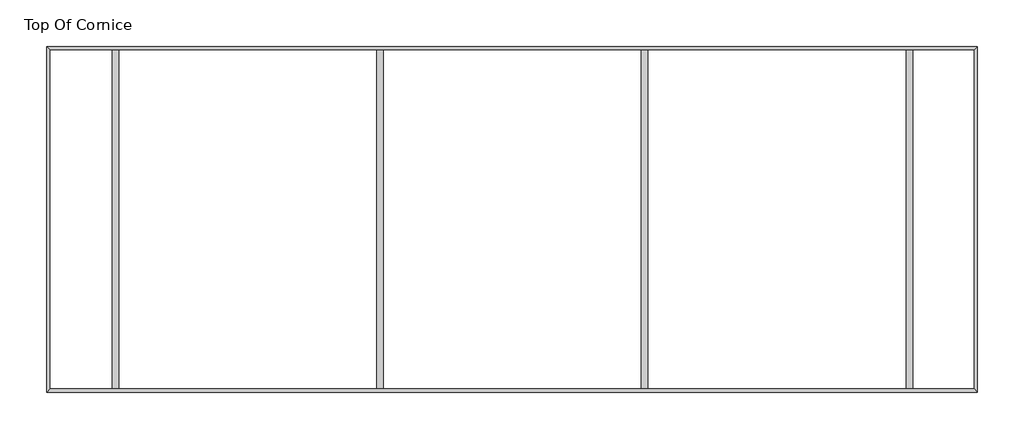
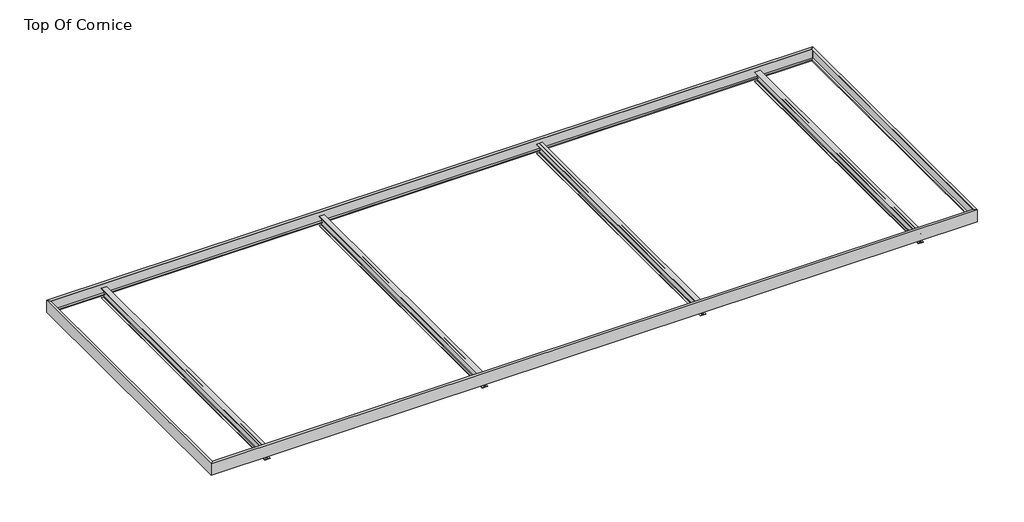
# One storey: 8 beams.
"""IFC4 building model written with IfcOpenShell, lengths in millimetres."""

import ifcopenshell
import ifcopenshell.guid

model = None  # the IFC model being written
_history = None  # IfcOwnerHistory: only IFC2X3 demands one
_inside = {}  # id of a spatial element -> (the spatial element, [elements in it])
_under = {}  # id of a project, library or spatial element -> (it, [spatial elements below it])
_declared = {}  # id of a project -> (the project, [libraries it declares])
_typed = {}  # id of a type object -> (the type object, [elements of that type])
_made_of = {}  # id of a material, layer set ... -> (it, [elements and type objects made of it])


def new_model(schema):
    """Start an empty IFC model of exactly this schema.

    Asked for "IFC4X3", IfcOpenShell would pick the latest addendum, in which some entities
    have other attributes; the version numbers below select the first issue.
    IFC2X3 requires an IfcOwnerHistory on every rooted entity: one is made here for all.
    """
    global model, _history
    if schema == "IFC4X3":
        model = ifcopenshell.file(schema_version=(4, 3, 0, 0))
    else:
        model = ifcopenshell.file(schema=schema)
    _inside.clear()
    _under.clear()
    _declared.clear()
    _typed.clear()
    _made_of.clear()
    _history = None
    if model.schema == "IFC2X3":
        org = make("IfcOrganization", Name="unknown")
        user = make(
            "IfcPersonAndOrganization",
            ThePerson=make("IfcPerson", FamilyName="unknown"),
            TheOrganization=org,
        )
        app = make(
            "IfcApplication",
            ApplicationDeveloper=org,
            Version="unknown",
            ApplicationFullName="unknown",
            ApplicationIdentifier="unknown",
        )
        _history = make(
            "IfcOwnerHistory",
            OwningUser=user,
            OwningApplication=app,
            ChangeAction="ADDED",
            CreationDate=0,
        )
    return model


def make(cls, **values):
    """One entity of the class cls with the attributes given. An attribute that is None is left unset."""
    return model.create_entity(
        cls, **{name: value for name, value in values.items() if value is not None}
    )


def rooted(cls, **values):
    """An entity with a GlobalId (a new one), such as an element, a storey or a relation."""
    return make(cls, GlobalId=ifcopenshell.guid.new(), OwnerHistory=_history, **values)


def si_unit(unit_type, name, prefix=None):
    """IfcSIUnit, for example si_unit("LENGTHUNIT", "METRE", prefix="MILLI")."""
    return make("IfcSIUnit", UnitType=unit_type, Prefix=prefix, Name=name)


def assignment(units):
    """IfcUnitAssignment: the units of a project."""
    return None if units is None else make("IfcUnitAssignment", Units=units)


def point(xyz):
    """IfcCartesianPoint."""
    return None if xyz is None else make("IfcCartesianPoint", Coordinates=xyz)


def direction(xyz):
    """IfcDirection."""
    return None if xyz is None else make("IfcDirection", DirectionRatios=xyz)


def frame(location, z_axis=None, x_axis=None):
    """IfcAxis2Placement3D, a coordinate frame: its origin and axes. An axis left out is left unset."""
    return make(
        "IfcAxis2Placement3D",
        Location=point(location),
        Axis=direction(z_axis),
        RefDirection=direction(x_axis),
    )


def frame_2d(location, x_axis=None):
    """IfcAxis2Placement2D, a coordinate frame in the plane: its origin and x axis."""
    return make(
        "IfcAxis2Placement2D", Location=point(location), RefDirection=direction(x_axis)
    )


def origin():
    """The frame at (0, 0, 0) with its axes left unset."""
    return frame((0.0, 0.0, 0.0))


def place(relative_to, where):
    """IfcLocalPlacement: puts the frame where relative to a parent placement (None: the world)."""
    return make(
        "IfcLocalPlacement", PlacementRelTo=relative_to, RelativePlacement=where
    )


def context(
    kind, dimensions, precision=None, world=None, true_north=None, identifier=None
):
    """IfcGeometricRepresentationContext, for example the 3D "Model" context."""
    return make(
        "IfcGeometricRepresentationContext",
        ContextIdentifier=identifier,
        ContextType=kind,
        CoordinateSpaceDimension=dimensions,
        Precision=precision,
        WorldCoordinateSystem=world,
        TrueNorth=true_north,
    )


def project(units=None, contexts=None):
    """IfcProject with its units and contexts."""
    return rooted(
        "IfcProject",
        Name="project",
        RepresentationContexts=contexts,
        UnitsInContext=assignment(units),
    )


def spatial(cls, under=None, at=None, **own):
    """A site, building, storey or space (cls), placed at a placement, below another one or the project."""
    s = rooted(cls, ObjectPlacement=at, **own)
    if under is not None:
        _under.setdefault(under.id(), (under, []))[1].append(s)
    return s


def polyline(points):
    """IfcPolyline through the points."""
    return make("IfcPolyline", Points=[point(p) for p in points])


def circle_curve(where, radius):
    """IfcCircle in the frame where."""
    return make("IfcCircle", Position=where, Radius=radius)


def ellipse_curve(where, semi_axis1, semi_axis2):
    """IfcEllipse in the frame where."""
    return make(
        "IfcEllipse", Position=where, SemiAxis1=semi_axis1, SemiAxis2=semi_axis2
    )


def trimmed(basis, trim1, trim2, sense, master):
    """IfcTrimmedCurve: the piece of a basis curve between two trims."""
    return make(
        "IfcTrimmedCurve",
        BasisCurve=basis,
        Trim1=trim1,
        Trim2=trim2,
        SenseAgreement=sense,
        MasterRepresentation=master,
    )


def segment(curve, same_sense, transition):
    """IfcCompositeCurveSegment."""
    return make(
        "IfcCompositeCurveSegment",
        Transition=transition,
        SameSense=same_sense,
        ParentCurve=curve,
    )


def composite_curve(segments, self_intersect=None):
    """IfcCompositeCurve: segments joined end to end."""
    return make("IfcCompositeCurve", Segments=segments, SelfIntersect=self_intersect)


def outline(outer, holes=None, kind="AREA"):
    """IfcArbitraryClosedProfileDef: a profile drawn as a closed curve; with holes, ...WithVoids."""
    if holes is None:
        return make("IfcArbitraryClosedProfileDef", ProfileType=kind, OuterCurve=outer)
    return make(
        "IfcArbitraryProfileDefWithVoids",
        ProfileType=kind,
        OuterCurve=outer,
        InnerCurves=holes,
    )


def extrude(swept, where, along, depth):
    """IfcExtrudedAreaSolid: the profile swept, set in the frame where, extruded along a direction by depth."""
    return make(
        "IfcExtrudedAreaSolid",
        SweptArea=swept,
        Position=where,
        ExtrudedDirection=direction(along),
        Depth=depth,
    )


def shape(context_of_items, identifier, shape_type, items):
    """IfcShapeRepresentation: the items that make up one representation, for example the "Body"."""
    return make(
        "IfcShapeRepresentation",
        ContextOfItems=context_of_items,
        RepresentationIdentifier=identifier,
        RepresentationType=shape_type,
        Items=items,
    )


def source(mapping_origin, context_of_items, identifier, shape_type, items):
    """IfcRepresentationMap: a shape defined once, which mapped items show again and again."""
    return make(
        "IfcRepresentationMap",
        MappingOrigin=mapping_origin,
        MappedRepresentation=shape(context_of_items, identifier, shape_type, items),
    )


def transform(
    local_origin,
    x_axis=None,
    y_axis=None,
    z_axis=None,
    scale=None,
    scale2=None,
    scale3=None,
    uniform=True,
):
    """IfcCartesianTransformationOperator3D, or its non-uniform kind. x_axis, y_axis, z_axis: its Axis1, 2, 3."""
    if uniform:
        return make(
            "IfcCartesianTransformationOperator3D",
            Axis1=direction(x_axis),
            Axis2=direction(y_axis),
            LocalOrigin=point(local_origin),
            Scale=scale,
            Axis3=direction(z_axis),
        )
    return make(
        "IfcCartesianTransformationOperator3DnonUniform",
        Axis1=direction(x_axis),
        Axis2=direction(y_axis),
        LocalOrigin=point(local_origin),
        Scale=scale,
        Axis3=direction(z_axis),
        Scale2=scale2,
        Scale3=scale3,
    )


def mapped(mapping_source, mapping_target):
    """IfcMappedItem: shows the shape of a source again, moved by a transform."""
    return make(
        "IfcMappedItem", MappingSource=mapping_source, MappingTarget=mapping_target
    )


def made_of(thing, what):
    """Note that an element or type object is made of a material, layer set ...; save() writes the relation."""
    if what is not None:
        _made_of.setdefault(what.id(), (what, []))[1].append(thing)
    return thing


def element(
    cls,
    number,
    at=None,
    inside=None,
    cuts=None,
    type_object=None,
    material=None,
    context=None,
    identifier="Body",
    shape_type=None,
    held_by="IfcProductDefinitionShape",
    body=None,
    shapes=None,
    **own,
):
    """One element of the class cls, such as IfcWall. Its Tag is "e" and its number.

    at: its placement. inside: the storey or other place that contains it. cuts: it is an
    opening in that element (IfcRelVoidsElement). A single representation is given by context,
    identifier, shape_type and body (its items); several are given by shapes. held_by: the class
    of the entity that holds the representations. save() writes the other relations.
    """
    e = rooted(cls, Tag="e%d" % number, ObjectPlacement=at, **own)
    if body is not None:
        shapes = [shape(context, identifier, shape_type, body)]
    if shapes is not None:
        e.Representation = make(held_by, Representations=shapes)
    if inside is not None:
        _inside.setdefault(inside.id(), (inside, []))[1].append(e)
    if cuts is not None:
        rooted(
            "IfcRelVoidsElement", RelatingBuildingElement=cuts, RelatedOpeningElement=e
        )
    if type_object is not None:
        _typed.setdefault(type_object.id(), (type_object, []))[1].append(e)
    return made_of(e, material)


def aggregate(whole, parts):
    """IfcRelAggregates: a whole, such as a stair, and the parts it consists of."""
    return rooted("IfcRelAggregates", RelatingObject=whole, RelatedObjects=parts)


def save(model, path):
    """Write the relations noted so far, then the file.

    IfcRelAggregates (storeys below a building ...), IfcRelContainedInSpatialStructure (elements
    in a storey), IfcRelDefinesByType, IfcRelAssociatesMaterial and IfcRelDeclares: one each for
    every whole, place, type object, material and project.
    """
    for whole, parts in _under.values():
        aggregate(whole, parts)
    for where, things in _inside.values():
        rooted(
            "IfcRelContainedInSpatialStructure",
            RelatedElements=things,
            RelatingStructure=where,
        )
    for kind, things in _typed.values():
        rooted("IfcRelDefinesByType", RelatedObjects=things, RelatingType=kind)
    for what, things in _made_of.values():
        rooted("IfcRelAssociatesMaterial", RelatedObjects=things, RelatingMaterial=what)
    for by, libraries in _declared.values():
        rooted("IfcRelDeclares", RelatingContext=by, RelatedDefinitions=libraries)
    model.write(path)


def plane_surface(at):
    """IfcPlane: the flat surface through the origin of the frame at, square to its z axis."""
    return make("IfcPlane", Position=at)


def cylinder_surface(at, radius):
    """IfcCylindricalSurface: all points at the distance radius from the z axis of the frame at."""
    return make("IfcCylindricalSurface", Position=at, Radius=radius)


def advanced_brep(points, edges, surfaces, faces):
    """IfcAdvancedBrep: a solid bounded by faces that lie on surfaces and meet in shared edges.

    An edge is (start, end): straight between two places in points (the first is 0);
    or (start, end, curve); or (start, end, curve, False) where it runs against its curve.
    A face is (place in surfaces, loops), or (place, loops, False) where it looks against
    its surface's normal. A loop lists edges by number (the first is 1), with a minus sign
    where the edge is run from its end to its start. The first loop is the outer one.
    """
    corners = [point(p) for p in points]
    vertices = [make("IfcVertexPoint", VertexGeometry=c) for c in corners]
    made = []
    for start, end, *more in edges:
        made.append(
            make(
                "IfcEdgeCurve",
                EdgeStart=vertices[start],
                EdgeEnd=vertices[end],
                EdgeGeometry=more[0] if more else make("IfcPolyline", Points=[corners[start], corners[end]]),
                SameSense=more[1] if len(more) > 1 else True,
            )
        )
    hull = []
    for where, loops, *sense in faces:
        bounds = []
        for j, loop in enumerate(loops):
            ring = [make("IfcOrientedEdge", EdgeElement=made[abs(k) - 1], Orientation=k > 0) for k in loop]
            bounds.append(
                make(
                    "IfcFaceOuterBound" if j == 0 else "IfcFaceBound",
                    Bound=make("IfcEdgeLoop", EdgeList=ring),
                    Orientation=True,
                )
            )
        hull.append(make("IfcAdvancedFace", Bounds=bounds, FaceSurface=surfaces[where], SameSense=sense[0] if sense else True))
    return make("IfcAdvancedBrep", Outer=make("IfcClosedShell", CfsFaces=hull))


def w_wide_flange_w12x26_3cccf0f2(model_context):
    return source(origin(), model_context, "Body", "SweptSolid", [
        extrude(outline(composite_curve([segment(polyline([(82.4011719, -145.5539063), (82.4011719, -155.178125), (-82.4011719, -155.178125), (-82.4011719, -145.5539063), (-20.2902344, -145.5539063)]), True, "CONTINUOUS"), segment(trimmed(circle_curve(frame_2d((-20.2902344, -128.190625)), 17.3632812), [point((-20.2902344, -145.5539063))], [point((-2.9269531, -128.190625))], True, "CARTESIAN"), True, "CONTINUOUS"), segment(polyline([(-2.9269531, -128.190625), (-2.9269531, 128.190625)]), True, "CONTINUOUS"), segment(trimmed(circle_curve(frame_2d((-20.2902344, 128.190625)), 17.3632812), [point((-2.9269531, 128.190625))], [point((-20.2902344, 145.5539062))], True, "CARTESIAN"), True, "CONTINUOUS"), segment(polyline([(-20.2902344, 145.5539062), (-82.4011719, 145.5539062), (-82.4011719, 155.178125), (82.4011719, 155.178125), (82.4011719, 145.5539062), (20.2902344, 145.5539062)]), True, "CONTINUOUS"), segment(trimmed(circle_curve(frame_2d((20.2902344, 128.190625)), 17.3632812), [point((20.2902344, 145.5539062))], [point((2.9269531, 128.190625))], True, "CARTESIAN"), True, "CONTINUOUS"), segment(polyline([(2.9269531, 128.190625), (2.9269531, -128.190625)]), True, "CONTINUOUS"), segment(trimmed(circle_curve(frame_2d((20.2902344, -128.190625)), 17.3632812), [point((2.9269531, -128.190625))], [point((20.2902344, -145.5539063))], True, "CARTESIAN"), True, "CONTINUOUS"), segment(polyline([(20.2902344, -145.5539063), (82.4011719, -145.5539063)]), True, "CONTINUOUS")], self_intersect=False)), frame((-4356.1, 0.0, 0.0), z_axis=(1.0, 0.0, 0.0), x_axis=(0.0, 1.0, 0.0)), (0.0, 0.0, 1.0), 8712.2),
    ])


model = new_model("IFC4")

# Units and contexts
model_context = context("Model", 3, world=origin())
ifc_project = project(units=[si_unit("LENGTHUNIT", "METRE", prefix="MILLI")], contexts=[model_context])

# Site, building, storey
site = spatial("IfcSite", under=ifc_project)
building = spatial("IfcBuilding", under=site)
storey = spatial("IfcBuildingStorey", under=building, Name="Top Of Cornice", Elevation=4114.8)

# Beams
placement = place(None, origin())
element("IfcBeam", 1, ObjectType="C-Channel : C15X33.9", at=placement, inside=storey, context=model_context, shape_type="AdvancedBrep", body=[
    advanced_brep(
    [(30194.5802, 15789.6052, 4114.8), (30280.9402, 15875.9652, 4114.8), (6666.5348, 15875.9652, 4114.8), (6752.8948, 15789.6052, 4114.8), (30211.0902, 15806.1152, 4098.29), (6736.3848, 15806.1152, 4098.29), (30270.7802, 15865.8052, 4088.8360328), (6676.6948, 15865.8052, 4088.8360328), (30270.7802, 15865.8052, 3759.7639672), (6676.6948, 15865.8052, 3759.7639672), (30211.0902, 15806.1152, 3750.31), (6736.3848, 15806.1152, 3750.31), (30194.5802, 15789.6052, 3733.8), (6752.8948, 15789.6052, 3733.8), (30280.9402, 15875.9652, 3733.8), (6666.5348, 15875.9652, 3733.8)],
    [
        (0, 1),
        (1, 2),
        (2, 3),
        (3, 0),
        (4, 0, ellipse_curve(frame((30211.0902, 15806.1152, 4114.8), z_axis=(-0.7071067811865387, 0.7071067811865563, 0.0), x_axis=(-0.7071067811865562, -0.7071067811865387, 0.0)), 23.3486659, 16.51)),
        (3, 5, ellipse_curve(frame((6736.3848, 15806.1152, 4114.8), z_axis=(0.7071067811865476, 0.7071067811865476, 0.0), x_axis=(-0.7071067811865474, 0.7071067811865476, 0.0)), 23.3486659, 16.51)),
        (5, 4),
        (6, 4),
        (5, 7),
        (7, 6),
        (8, 6),
        (7, 9),
        (9, 8),
        (10, 8),
        (9, 11),
        (11, 10),
        (12, 10, ellipse_curve(frame((30211.0902, 15806.1152, 3733.8), z_axis=(-0.7071067811865387, 0.7071067811865563, 0.0), x_axis=(-0.7071067811865562, -0.7071067811865387, 0.0)), 23.3486659, 16.51)),
        (11, 13, ellipse_curve(frame((6736.3848, 15806.1152, 3733.8), z_axis=(0.7071067811865476, 0.7071067811865476, 0.0), x_axis=(-0.7071067811865474, 0.7071067811865476, 0.0)), 23.3486659, 16.51)),
        (13, 12),
        (14, 12),
        (13, 15),
        (15, 14),
        (1, 14),
        (15, 2),
    ],
    [
        plane_surface(frame((30260.925, 15832.7852, 4114.8), z_axis=(0.0, 0.0, 1.0), x_axis=(0.0, -1.0, 0.0))),
        cylinder_surface(frame((30260.925, 15806.1152, 4114.8), z_axis=(-1.0, 0.0, 0.0), x_axis=(0.0, 0.0, -1.0)), 16.51),
        plane_surface(frame((30260.925, 15835.9602, 4093.5630164), z_axis=(0.0, -0.15643446504022748, -0.9876883405951383), x_axis=(0.0, 0.9876883405951383, -0.15643446504022748))),
        plane_surface(frame((30260.925, 15865.8052, 3924.3), z_axis=(0.0, -1.0, 0.0), x_axis=(0.0, 0.0, -1.0))),
        plane_surface(frame((30260.925, 15835.9602, 3755.0369836), z_axis=(0.0, -0.15643446504023373, 0.9876883405951373), x_axis=(0.0, -0.9876883405951373, -0.15643446504023373))),
        cylinder_surface(frame((30260.925, 15806.1152, 3733.8), z_axis=(-1.0, 0.0, 0.0), x_axis=(0.0, -1.0, 0.0)), 16.51),
        plane_surface(frame((30260.925, 15832.7852, 3733.8), z_axis=(0.0, 0.0, -1.0), x_axis=(0.0, 1.0, 0.0))),
        plane_surface(frame((30260.925, 15875.9652, 3924.3), z_axis=(0.0, 1.0, 0.0), x_axis=(0.0, 0.0, 1.0))),
        plane_surface(frame((30194.5802, 15789.6052, 4114.8), z_axis=(0.7071067811865387, -0.7071067811865563, 0.0), x_axis=(0.7071067811865563, 0.7071067811865387, 0.0))),
        plane_surface(frame((6752.8948, 15789.6052, 4114.8), z_axis=(-0.7071067811865476, -0.7071067811865476, 0.0), x_axis=(0.7071067811865476, -0.7071067811865476, 0.0))),
    ],
    [
        (0, [[1, 2, 3, 4]]),
        (1, [[5, -4, 6, 7]]),
        (2, [[8, -7, 9, 10]]),
        (3, [[11, -10, 12, 13]]),
        (4, [[14, -13, 15, 16]]),
        (5, [[17, -16, 18, 19]]),
        (6, [[20, -19, 21, 22]]),
        (7, [[23, -22, 24, -2]]),
        (8, [[-1, -5, -8, -11, -14, -17, -20, -23]]),
        (9, [[-24, -21, -18, -15, -12, -9, -6, -3]]),
    ],
),
])
element("IfcBeam", 2, ObjectType="C-Channel : C15X33.9", at=placement, inside=storey, context=model_context, shape_type="AdvancedBrep", body=[
    advanced_brep(
    [(6752.8948, 7184.6948, 4114.8), (6666.5348, 7098.3348, 4114.8), (30280.9402, 7098.3348, 4114.8), (30194.5802, 7184.6948, 4114.8), (6736.3848, 7168.1848, 4098.29), (30211.0902, 7168.1848, 4098.29), (6676.6948, 7108.4948, 4088.8360328), (30270.7802, 7108.4948, 4088.8360328), (6676.6948, 7108.4948, 3759.7639672), (30270.7802, 7108.4948, 3759.7639672), (6736.3848, 7168.1848, 3750.31), (30211.0902, 7168.1848, 3750.31), (6752.8948, 7184.6948, 3733.8), (30194.5802, 7184.6948, 3733.8), (6666.5348, 7098.3348, 3733.8), (30280.9402, 7098.3348, 3733.8)],
    [
        (0, 1),
        (1, 2),
        (2, 3),
        (3, 0),
        (4, 0, ellipse_curve(frame((6736.3848, 7168.1848, 4114.8), z_axis=(0.7071067811865387, -0.7071067811865563, 0.0), x_axis=(0.7071067811865562, 0.7071067811865387, 0.0)), 23.3486659, 16.51)),
        (3, 5, ellipse_curve(frame((30211.0902, 7168.1848, 4114.8), z_axis=(-0.7071067811865387, -0.7071067811865563, 0.0), x_axis=(0.7071067811865562, -0.7071067811865387, 0.0)), 23.3486659, 16.51)),
        (5, 4),
        (6, 4),
        (5, 7),
        (7, 6),
        (8, 6),
        (7, 9),
        (9, 8),
        (10, 8),
        (9, 11),
        (11, 10),
        (12, 10, ellipse_curve(frame((6736.3848, 7168.1848, 3733.8), z_axis=(0.7071067811865387, -0.7071067811865563, 0.0), x_axis=(0.7071067811865562, 0.7071067811865387, 0.0)), 23.3486659, 16.51)),
        (11, 13, ellipse_curve(frame((30211.0902, 7168.1848, 3733.8), z_axis=(-0.7071067811865387, -0.7071067811865563, 0.0), x_axis=(0.7071067811865562, -0.7071067811865387, 0.0)), 23.3486659, 16.51)),
        (13, 12),
        (14, 12),
        (13, 15),
        (15, 14),
        (1, 14),
        (15, 2),
    ],
    [
        plane_surface(frame((6686.55, 7141.5148, 4114.8), z_axis=(0.0, 0.0, 1.0), x_axis=(0.0, 1.0, 0.0))),
        cylinder_surface(frame((6686.55, 7168.1848, 4114.8), z_axis=(1.0, 0.0, 0.0), x_axis=(0.0, 0.0, -1.0)), 16.51),
        plane_surface(frame((6686.55, 7138.3398, 4093.5630164), z_axis=(0.0, 0.15643446504022748, -0.9876883405951383), x_axis=(0.0, -0.9876883405951383, -0.15643446504022748))),
        plane_surface(frame((6686.55, 7108.4948, 3924.3), z_axis=(0.0, 1.0, 0.0), x_axis=(0.0, 0.0, -1.0))),
        plane_surface(frame((6686.55, 7138.3398, 3755.0369836), z_axis=(0.0, 0.15643446504023373, 0.9876883405951373), x_axis=(0.0, 0.9876883405951373, -0.15643446504023373))),
        cylinder_surface(frame((6686.55, 7168.1848, 3733.8), z_axis=(1.0, 0.0, 0.0), x_axis=(0.0, 1.0, 0.0)), 16.51),
        plane_surface(frame((6686.55, 7141.5148, 3733.8), z_axis=(0.0, 0.0, -1.0), x_axis=(0.0, -1.0, 0.0))),
        plane_surface(frame((6686.55, 7098.3348, 3924.3), z_axis=(0.0, -1.0, 0.0), x_axis=(0.0, 0.0, 1.0))),
        plane_surface(frame((30194.5802, 7184.6948, 4114.8), z_axis=(0.7071067811865387, 0.7071067811865563, 0.0), x_axis=(0.7071067811865563, -0.7071067811865387, 0.0))),
        plane_surface(frame((6752.8948, 7184.6948, 4114.8), z_axis=(-0.7071067811865387, 0.7071067811865563, 0.0), x_axis=(0.7071067811865563, 0.7071067811865387, 0.0))),
    ],
    [
        (0, [[1, 2, 3, 4]]),
        (1, [[5, -4, 6, 7]]),
        (2, [[8, -7, 9, 10]]),
        (3, [[11, -10, 12, 13]]),
        (4, [[14, -13, 15, 16]]),
        (5, [[17, -16, 18, 19]]),
        (6, [[20, -19, 21, 22]]),
        (7, [[23, -22, 24, -2]]),
        (8, [[-24, -21, -18, -15, -12, -9, -6, -3]]),
        (9, [[-1, -5, -8, -11, -14, -17, -20, -23]]),
    ],
),
])
element("IfcBeam", 3, ObjectType="C-Channel : C15X33.9", at=placement, inside=storey, context=model_context, shape_type="AdvancedBrep", body=[
    advanced_brep(
    [(6752.8948, 15789.6052, 4114.8), (6666.5348, 15875.9652, 4114.8), (6666.5348, 7098.3348, 4114.8), (6752.8948, 7184.6948, 4114.8), (6736.3848, 15806.1152, 4098.29), (6736.3848, 7168.1848, 4098.29), (6676.6948, 15865.8052, 4088.8360328), (6676.6948, 7108.4948, 4088.8360328), (6676.6948, 15865.8052, 3759.7639672), (6676.6948, 7108.4948, 3759.7639672), (6736.3848, 15806.1152, 3750.31), (6736.3848, 7168.1848, 3750.31), (6752.8948, 15789.6052, 3733.8), (6752.8948, 7184.6948, 3733.8), (6666.5348, 15875.9652, 3733.8), (6666.5348, 7098.3348, 3733.8)],
    [
        (0, 1),
        (1, 2),
        (2, 3),
        (3, 0),
        (4, 0, ellipse_curve(frame((6736.3848, 15806.1152, 4114.8), z_axis=(-0.7071067811865476, -0.7071067811865476, 0.0), x_axis=(-0.7071067811865476, 0.7071067811865474, 0.0)), 23.3486659, 16.51)),
        (3, 5, ellipse_curve(frame((6736.3848, 7168.1848, 4114.8), z_axis=(-0.7071067811865476, 0.7071067811865476, 0.0), x_axis=(0.7071067811865476, 0.7071067811865474, 0.0)), 23.3486659, 16.51)),
        (5, 4),
        (6, 4),
        (5, 7),
        (7, 6),
        (8, 6),
        (7, 9),
        (9, 8),
        (10, 8),
        (9, 11),
        (11, 10),
        (12, 10, ellipse_curve(frame((6736.3848, 15806.1152, 3733.8), z_axis=(-0.7071067811865476, -0.7071067811865476, 0.0), x_axis=(-0.7071067811865476, 0.7071067811865474, 0.0)), 23.3486659, 16.51)),
        (11, 13, ellipse_curve(frame((6736.3848, 7168.1848, 3733.8), z_axis=(-0.7071067811865476, 0.7071067811865476, 0.0), x_axis=(0.7071067811865476, 0.7071067811865474, 0.0)), 23.3486659, 16.51)),
        (13, 12),
        (14, 12),
        (13, 15),
        (15, 14),
        (1, 14),
        (15, 2),
    ],
    [
        plane_surface(frame((6666.5348, 15855.95, 4114.8), z_axis=(0.0, 0.0, 1.0), x_axis=(0.0, -1.0, 0.0))),
        cylinder_surface(frame((6736.3848, 15855.95, 4114.8), z_axis=(0.0, 1.0, 0.0), x_axis=(1.0, 0.0, 0.0)), 16.51),
        plane_surface(frame((6736.3848, 15855.95, 4098.29), z_axis=(0.15643446504022748, 0.0, -0.9876883405951383), x_axis=(0.0, -1.0, 0.0))),
        plane_surface(frame((6676.6948, 15855.95, 4088.8360328), z_axis=(1.0, 0.0, 0.0), x_axis=(0.0, -1.0, 0.0))),
        plane_surface(frame((6676.6948, 15855.95, 3759.7639672), z_axis=(0.15643446504023378, 0.0, 0.9876883405951373), x_axis=(0.0, -1.0, 0.0))),
        cylinder_surface(frame((6736.3848, 15855.95, 3733.8), z_axis=(0.0, 1.0, 0.0), x_axis=(1.0, 0.0, 0.0)), 16.51),
        plane_surface(frame((6752.8948, 15855.95, 3733.8), z_axis=(0.0, 0.0, -1.0), x_axis=(0.0, -1.0, 0.0))),
        plane_surface(frame((6666.5348, 15855.95, 3733.8), z_axis=(-1.0, 0.0, 0.0), x_axis=(0.0, -1.0, 0.0))),
        plane_surface(frame((6752.8948, 7184.6948, 4114.8), z_axis=(0.7071067811865476, -0.7071067811865476, 0.0), x_axis=(0.7071067811865476, 0.7071067811865476, 0.0))),
        plane_surface(frame((6752.8948, 15789.6052, 4114.8), z_axis=(0.7071067811865476, 0.7071067811865476, 0.0), x_axis=(0.7071067811865476, -0.7071067811865476, 0.0))),
    ],
    [
        (0, [[1, 2, 3, 4]]),
        (1, [[5, -4, 6, 7]]),
        (2, [[8, -7, 9, 10]]),
        (3, [[11, -10, 12, 13]]),
        (4, [[14, -13, 15, 16]]),
        (5, [[17, -16, 18, 19]]),
        (6, [[20, -19, 21, 22]]),
        (7, [[23, -22, 24, -2]]),
        (8, [[-24, -21, -18, -15, -12, -9, -6, -3]]),
        (9, [[-1, -5, -8, -11, -14, -17, -20, -23]]),
    ],
),
])
element("IfcBeam", 4, ObjectType="C-Channel : C15X33.9", at=placement, inside=storey, context=model_context, shape_type="AdvancedBrep", body=[
    advanced_brep(
    [(30194.5802, 7184.6948, 4114.8), (30280.9402, 7098.3348, 4114.8), (30280.9402, 15875.9652, 4114.8), (30194.5802, 15789.6052, 4114.8), (30211.0902, 7168.1848, 4098.29), (30211.0902, 15806.1152, 4098.29), (30270.7802, 7108.4948, 4088.8360328), (30270.7802, 15865.8052, 4088.8360328), (30270.7802, 7108.4948, 3759.7639672), (30270.7802, 15865.8052, 3759.7639672), (30211.0902, 7168.1848, 3750.31), (30211.0902, 15806.1152, 3750.31), (30194.5802, 7184.6948, 3733.8), (30194.5802, 15789.6052, 3733.8), (30280.9402, 7098.3348, 3733.8), (30280.9402, 15875.9652, 3733.8)],
    [
        (0, 1),
        (1, 2),
        (2, 3),
        (3, 0),
        (4, 0, ellipse_curve(frame((30211.0902, 7168.1848, 4114.8), z_axis=(0.7071067811865387, 0.7071067811865563, 0.0), x_axis=(0.7071067811865563, -0.7071067811865388, 0.0)), 23.3486659, 16.51)),
        (3, 5, ellipse_curve(frame((30211.0902, 15806.1152, 4114.8), z_axis=(0.7071067811865387, -0.7071067811865563, 0.0), x_axis=(-0.7071067811865563, -0.7071067811865388, 0.0)), 23.3486659, 16.51)),
        (5, 4),
        (6, 4),
        (5, 7),
        (7, 6),
        (8, 6),
        (7, 9),
        (9, 8),
        (10, 8),
        (9, 11),
        (11, 10),
        (12, 10, ellipse_curve(frame((30211.0902, 7168.1848, 3733.8), z_axis=(0.7071067811865387, 0.7071067811865563, 0.0), x_axis=(0.7071067811865563, -0.7071067811865388, 0.0)), 23.3486659, 16.51)),
        (11, 13, ellipse_curve(frame((30211.0902, 15806.1152, 3733.8), z_axis=(0.7071067811865387, -0.7071067811865563, 0.0), x_axis=(-0.7071067811865563, -0.7071067811865388, 0.0)), 23.3486659, 16.51)),
        (13, 12),
        (14, 12),
        (13, 15),
        (15, 14),
        (1, 14),
        (15, 2),
    ],
    [
        plane_surface(frame((30280.9402, 7118.35, 4114.8), z_axis=(0.0, 0.0, 1.0), x_axis=(0.0, 1.0, 0.0))),
        cylinder_surface(frame((30211.0902, 7118.35, 4114.8), z_axis=(0.0, -1.0, 0.0), x_axis=(-1.0, 0.0, 0.0)), 16.51),
        plane_surface(frame((30211.0902, 7118.35, 4098.29), z_axis=(-0.15643446504022748, 0.0, -0.9876883405951383), x_axis=(0.0, 1.0, 0.0))),
        plane_surface(frame((30270.7802, 7118.35, 4088.8360328), z_axis=(-1.0, 0.0, 0.0), x_axis=(0.0, 1.0, 0.0))),
        plane_surface(frame((30270.7802, 7118.35, 3759.7639672), z_axis=(-0.15643446504023378, 0.0, 0.9876883405951373), x_axis=(0.0, 1.0, 0.0))),
        cylinder_surface(frame((30211.0902, 7118.35, 3733.8), z_axis=(0.0, -1.0, 0.0), x_axis=(-1.0, 0.0, 0.0)), 16.51),
        plane_surface(frame((30194.5802, 7118.35, 3733.8), z_axis=(0.0, 0.0, -1.0), x_axis=(0.0, 1.0, 0.0))),
        plane_surface(frame((30280.9402, 7118.35, 3733.8), z_axis=(1.0, 0.0, 0.0), x_axis=(0.0, 1.0, 0.0))),
        plane_surface(frame((30194.5802, 15789.6052, 4114.8), z_axis=(-0.7071067811865387, 0.7071067811865563, 0.0), x_axis=(0.7071067811865563, 0.7071067811865387, 0.0))),
        plane_surface(frame((30194.5802, 7184.6948, 4114.8), z_axis=(-0.7071067811865387, -0.7071067811865563, 0.0), x_axis=(0.7071067811865563, -0.7071067811865387, 0.0))),
    ],
    [
        (0, [[1, 2, 3, 4]]),
        (1, [[5, -4, 6, 7]]),
        (2, [[8, -7, 9, 10]]),
        (3, [[11, -10, 12, 13]]),
        (4, [[14, -13, 15, 16]]),
        (5, [[17, -16, 18, 19]]),
        (6, [[20, -19, 21, 22]]),
        (7, [[23, -22, 24, -2]]),
        (8, [[-24, -21, -18, -15, -12, -9, -6, -3]]),
        (9, [[-1, -5, -8, -11, -14, -17, -20, -23]]),
    ],
),
])
w_wide_flange_w12x26_shape = w_wide_flange_w12x26_3cccf0f2(model_context)
element("IfcBeam", 5, ObjectType="W-Wide Flange : W12X26", at=placement, inside=storey, context=model_context, shape_type="MappedRepresentation", body=[
    mapped(w_wide_flange_w12x26_shape, transform((8420.1, 11487.15, 3781.821875), x_axis=(0.0, -1.0, 0.0), y_axis=(1.0, 0.0, 0.0), z_axis=(0.0, 0.0, 1.0))),
])
element("IfcBeam", 6, ObjectType="W-Wide Flange : W12X26", at=placement, inside=storey, context=model_context, shape_type="MappedRepresentation", body=[
    mapped(w_wide_flange_w12x26_shape, transform((15125.7, 11487.15, 3781.821875), x_axis=(0.0, -1.0, 0.0), y_axis=(1.0, 0.0, 0.0), z_axis=(0.0, 0.0, 1.0))),
])
element("IfcBeam", 7, ObjectType="W-Wide Flange : W12X26", at=placement, inside=storey, context=model_context, shape_type="MappedRepresentation", body=[
    mapped(w_wide_flange_w12x26_shape, transform((21840.825, 11487.15, 3781.821875), x_axis=(0.0, -1.0, 0.0), y_axis=(1.0, 0.0, 0.0), z_axis=(0.0, 0.0, 1.0))),
])
element("IfcBeam", 8, ObjectType="W-Wide Flange : W12X26", at=placement, inside=storey, context=model_context, shape_type="MappedRepresentation", body=[
    mapped(w_wide_flange_w12x26_shape, transform((28552.775, 11487.15, 3781.821875), x_axis=(0.0, -1.0, 0.0), y_axis=(1.0, 0.0, 0.0), z_axis=(0.0, 0.0, 1.0))),
])

save(model, "model.ifc")
